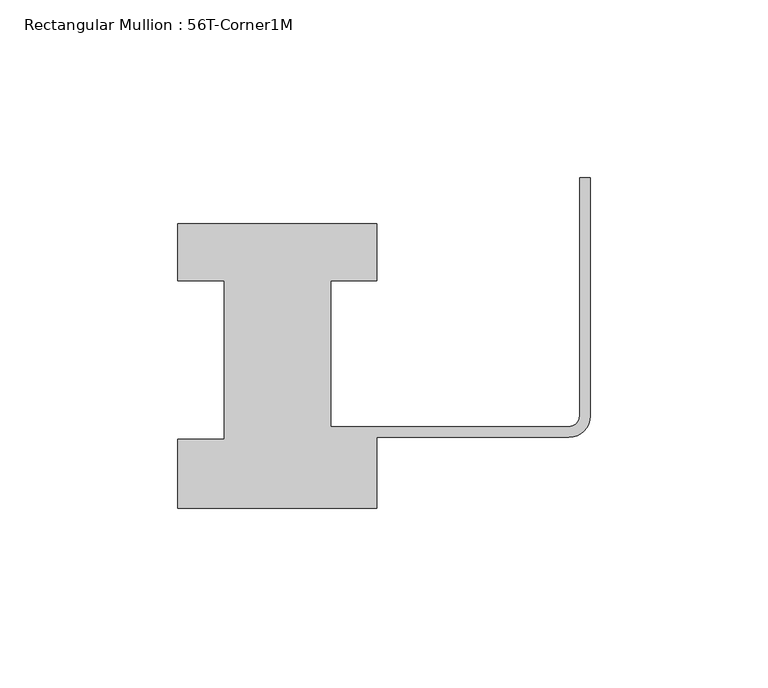
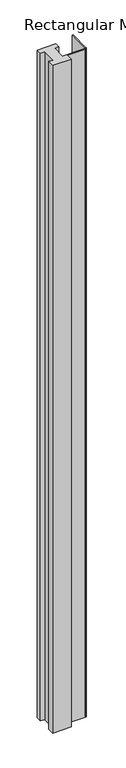
"""IFC4 building model written with IfcOpenShell, lengths in millimetres: member geometry, Rectangular Mullion : 56T-Corner1M."""

from ifc_helpers import new_model, si_unit, point, frame, frame_2d, origin, place, context, project, spatial, polyline, circle_curve, trimmed, segment, composite_curve, outline, extrude, source, transform, mapped, element, save


def rectangular_mullion_56t_corner1m_3c0a97d1(model_context):
    return source(origin(), model_context, "Body", "SweptSolid", [
        extrude(outline(composite_curve([segment(polyline([(-116.0, 44.0), (-116.0, 60.0), (-60.0, 60.0), (-60.0, 44.0), (-73.0, 44.0), (-73.0, 3.0), (-6.0, 3.0)]), True, "CONTINUOUS"), segment(trimmed(circle_curve(frame_2d((-6.0, 6.0)), 3.0), [point((-6.0, 3.0))], [point((-3.0, 6.0))], True, "CARTESIAN"), True, "CONTINUOUS"), segment(polyline([(-3.0, 6.0), (-3.0, 73.0), (0.0, 73.0), (0.0, 6.0)]), True, "CONTINUOUS"), segment(trimmed(circle_curve(frame_2d((-6.0, 6.0)), 6.0), [point((0.0, 6.0))], [point((-6.0, 0.0))], False, "CARTESIAN"), True, "CONTINUOUS"), segment(polyline([(-6.0, 0.0), (-60.0, 0.0), (-60.0, -20.0), (-116.0, -20.0), (-116.0, -0.5), (-103.0, -0.5), (-103.0, 44.0), (-116.0, 44.0)]), True, "CONTINUOUS")], self_intersect=False)), frame((0.0, 0.0, -2144.0), z_axis=(0.0, 0.0, 1.0), x_axis=(1.0, 0.0, 0.0)), (0.0, 0.0, 1.0), 2144.0),
    ])


if __name__ == "__main__":
    model = new_model("IFC4")
    model_context = context("Model", 3, world=origin())
    ifc_project = project(units=[si_unit("LENGTHUNIT", "METRE", prefix="MILLI")], contexts=[model_context])
    site = spatial("IfcSite", under=ifc_project)
    building = spatial("IfcBuilding", under=site)
    placement = place(None, origin())
    rectangular_mullion_56t_corner1m_shape = rectangular_mullion_56t_corner1m_3c0a97d1(model_context)
    element("IfcMember", 1, ObjectType="Rectangular Mullion : 56T-Corner1M", at=placement, inside=building, context=model_context, shape_type="MappedRepresentation", body=[
        mapped(rectangular_mullion_56t_corner1m_shape, transform((0.0, 0.0, 0.0), x_axis=(1.0, 0.0, 0.0), y_axis=(0.0, 1.0, 0.0), z_axis=(0.0, 0.0, 1.0))),
    ])
    save(model, "model.ifc")
